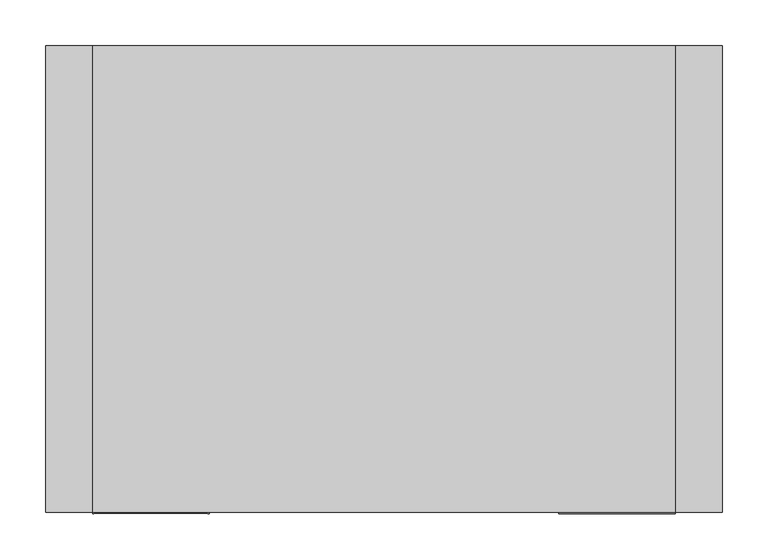
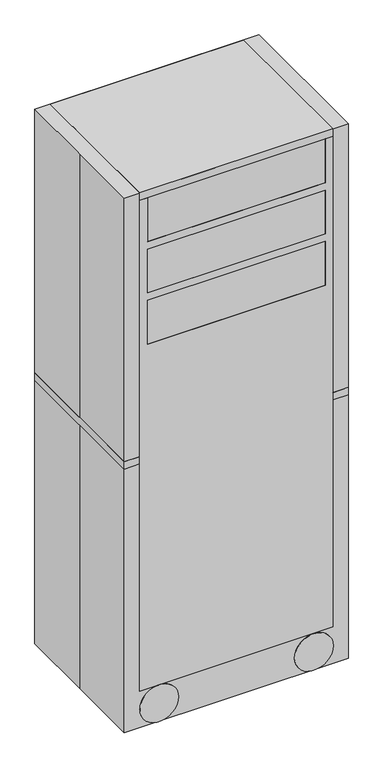
"""IFC4 building model written with IfcOpenShell, lengths in millimetres: proxy geometry."""

import ifcopenshell
import ifcopenshell.guid

model = None  # the IFC model being written
_history = None  # IfcOwnerHistory: only IFC2X3 demands one
_inside = {}  # id of a spatial element -> (the spatial element, [elements in it])
_under = {}  # id of a project, library or spatial element -> (it, [spatial elements below it])
_declared = {}  # id of a project -> (the project, [libraries it declares])
_typed = {}  # id of a type object -> (the type object, [elements of that type])
_made_of = {}  # id of a material, layer set ... -> (it, [elements and type objects made of it])


def new_model(schema):
    """Start an empty IFC model of exactly this schema.

    Asked for "IFC4X3", IfcOpenShell would pick the latest addendum, in which some entities
    have other attributes; the version numbers below select the first issue.
    IFC2X3 requires an IfcOwnerHistory on every rooted entity: one is made here for all.
    """
    global model, _history
    if schema == "IFC4X3":
        model = ifcopenshell.file(schema_version=(4, 3, 0, 0))
    else:
        model = ifcopenshell.file(schema=schema)
    _inside.clear()
    _under.clear()
    _declared.clear()
    _typed.clear()
    _made_of.clear()
    _history = None
    if model.schema == "IFC2X3":
        org = make("IfcOrganization", Name="unknown")
        user = make(
            "IfcPersonAndOrganization",
            ThePerson=make("IfcPerson", FamilyName="unknown"),
            TheOrganization=org,
        )
        app = make(
            "IfcApplication",
            ApplicationDeveloper=org,
            Version="unknown",
            ApplicationFullName="unknown",
            ApplicationIdentifier="unknown",
        )
        _history = make(
            "IfcOwnerHistory",
            OwningUser=user,
            OwningApplication=app,
            ChangeAction="ADDED",
            CreationDate=0,
        )
    return model


def make(cls, **values):
    """One entity of the class cls with the attributes given. An attribute that is None is left unset."""
    return model.create_entity(
        cls, **{name: value for name, value in values.items() if value is not None}
    )


def rooted(cls, **values):
    """An entity with a GlobalId (a new one), such as an element, a storey or a relation."""
    return make(cls, GlobalId=ifcopenshell.guid.new(), OwnerHistory=_history, **values)


def si_unit(unit_type, name, prefix=None):
    """IfcSIUnit, for example si_unit("LENGTHUNIT", "METRE", prefix="MILLI")."""
    return make("IfcSIUnit", UnitType=unit_type, Prefix=prefix, Name=name)


def assignment(units):
    """IfcUnitAssignment: the units of a project."""
    return None if units is None else make("IfcUnitAssignment", Units=units)


def point(xyz):
    """IfcCartesianPoint."""
    return None if xyz is None else make("IfcCartesianPoint", Coordinates=xyz)


def direction(xyz):
    """IfcDirection."""
    return None if xyz is None else make("IfcDirection", DirectionRatios=xyz)


def frame(location, z_axis=None, x_axis=None):
    """IfcAxis2Placement3D, a coordinate frame: its origin and axes. An axis left out is left unset."""
    return make(
        "IfcAxis2Placement3D",
        Location=point(location),
        Axis=direction(z_axis),
        RefDirection=direction(x_axis),
    )


def frame_2d(location, x_axis=None):
    """IfcAxis2Placement2D, a coordinate frame in the plane: its origin and x axis."""
    return make(
        "IfcAxis2Placement2D", Location=point(location), RefDirection=direction(x_axis)
    )


def origin():
    """The frame at (0, 0, 0) with its axes left unset."""
    return frame((0.0, 0.0, 0.0))


def origin_with_axes():
    """The frame at (0, 0, 0) with the z axis (0, 0, 1) and the x axis (1, 0, 0) written out."""
    return frame((0.0, 0.0, 0.0), z_axis=(0.0, 0.0, 1.0), x_axis=(1.0, 0.0, 0.0))


def place(relative_to, where):
    """IfcLocalPlacement: puts the frame where relative to a parent placement (None: the world)."""
    return make(
        "IfcLocalPlacement", PlacementRelTo=relative_to, RelativePlacement=where
    )


def context(
    kind, dimensions, precision=None, world=None, true_north=None, identifier=None
):
    """IfcGeometricRepresentationContext, for example the 3D "Model" context."""
    return make(
        "IfcGeometricRepresentationContext",
        ContextIdentifier=identifier,
        ContextType=kind,
        CoordinateSpaceDimension=dimensions,
        Precision=precision,
        WorldCoordinateSystem=world,
        TrueNorth=true_north,
    )


def project(units=None, contexts=None):
    """IfcProject with its units and contexts."""
    return rooted(
        "IfcProject",
        Name="project",
        RepresentationContexts=contexts,
        UnitsInContext=assignment(units),
    )


def spatial(cls, under=None, at=None, **own):
    """A site, building, storey or space (cls), placed at a placement, below another one or the project."""
    s = rooted(cls, ObjectPlacement=at, **own)
    if under is not None:
        _under.setdefault(under.id(), (under, []))[1].append(s)
    return s


def polyline(points):
    """IfcPolyline through the points."""
    return make("IfcPolyline", Points=[point(p) for p in points])


def circle_curve(where, radius):
    """IfcCircle in the frame where."""
    return make("IfcCircle", Position=where, Radius=radius)


def trimmed(basis, trim1, trim2, sense, master):
    """IfcTrimmedCurve: the piece of a basis curve between two trims."""
    return make(
        "IfcTrimmedCurve",
        BasisCurve=basis,
        Trim1=trim1,
        Trim2=trim2,
        SenseAgreement=sense,
        MasterRepresentation=master,
    )


def segment(curve, same_sense, transition):
    """IfcCompositeCurveSegment."""
    return make(
        "IfcCompositeCurveSegment",
        Transition=transition,
        SameSense=same_sense,
        ParentCurve=curve,
    )


def composite_curve(segments, self_intersect=None):
    """IfcCompositeCurve: segments joined end to end."""
    return make("IfcCompositeCurve", Segments=segments, SelfIntersect=self_intersect)


def outline(outer, holes=None, kind="AREA"):
    """IfcArbitraryClosedProfileDef: a profile drawn as a closed curve; with holes, ...WithVoids."""
    if holes is None:
        return make("IfcArbitraryClosedProfileDef", ProfileType=kind, OuterCurve=outer)
    return make(
        "IfcArbitraryProfileDefWithVoids",
        ProfileType=kind,
        OuterCurve=outer,
        InnerCurves=holes,
    )


def extrude(swept, where, along, depth):
    """IfcExtrudedAreaSolid: the profile swept, set in the frame where, extruded along a direction by depth."""
    return make(
        "IfcExtrudedAreaSolid",
        SweptArea=swept,
        Position=where,
        ExtrudedDirection=direction(along),
        Depth=depth,
    )


def shape(context_of_items, identifier, shape_type, items):
    """IfcShapeRepresentation: the items that make up one representation, for example the "Body"."""
    return make(
        "IfcShapeRepresentation",
        ContextOfItems=context_of_items,
        RepresentationIdentifier=identifier,
        RepresentationType=shape_type,
        Items=items,
    )


def source(mapping_origin, context_of_items, identifier, shape_type, items):
    """IfcRepresentationMap: a shape defined once, which mapped items show again and again."""
    return make(
        "IfcRepresentationMap",
        MappingOrigin=mapping_origin,
        MappedRepresentation=shape(context_of_items, identifier, shape_type, items),
    )


def transform(
    local_origin,
    x_axis=None,
    y_axis=None,
    z_axis=None,
    scale=None,
    scale2=None,
    scale3=None,
    uniform=True,
):
    """IfcCartesianTransformationOperator3D, or its non-uniform kind. x_axis, y_axis, z_axis: its Axis1, 2, 3."""
    if uniform:
        return make(
            "IfcCartesianTransformationOperator3D",
            Axis1=direction(x_axis),
            Axis2=direction(y_axis),
            LocalOrigin=point(local_origin),
            Scale=scale,
            Axis3=direction(z_axis),
        )
    return make(
        "IfcCartesianTransformationOperator3DnonUniform",
        Axis1=direction(x_axis),
        Axis2=direction(y_axis),
        LocalOrigin=point(local_origin),
        Scale=scale,
        Axis3=direction(z_axis),
        Scale2=scale2,
        Scale3=scale3,
    )


def mapped(mapping_source, mapping_target):
    """IfcMappedItem: shows the shape of a source again, moved by a transform."""
    return make(
        "IfcMappedItem", MappingSource=mapping_source, MappingTarget=mapping_target
    )


def made_of(thing, what):
    """Note that an element or type object is made of a material, layer set ...; save() writes the relation."""
    if what is not None:
        _made_of.setdefault(what.id(), (what, []))[1].append(thing)
    return thing


def element(
    cls,
    number,
    at=None,
    inside=None,
    cuts=None,
    type_object=None,
    material=None,
    context=None,
    identifier="Body",
    shape_type=None,
    held_by="IfcProductDefinitionShape",
    body=None,
    shapes=None,
    **own,
):
    """One element of the class cls, such as IfcWall. Its Tag is "e" and its number.

    at: its placement. inside: the storey or other place that contains it. cuts: it is an
    opening in that element (IfcRelVoidsElement). A single representation is given by context,
    identifier, shape_type and body (its items); several are given by shapes. held_by: the class
    of the entity that holds the representations. save() writes the other relations.
    """
    e = rooted(cls, Tag="e%d" % number, ObjectPlacement=at, **own)
    if body is not None:
        shapes = [shape(context, identifier, shape_type, body)]
    if shapes is not None:
        e.Representation = make(held_by, Representations=shapes)
    if inside is not None:
        _inside.setdefault(inside.id(), (inside, []))[1].append(e)
    if cuts is not None:
        rooted(
            "IfcRelVoidsElement", RelatingBuildingElement=cuts, RelatedOpeningElement=e
        )
    if type_object is not None:
        _typed.setdefault(type_object.id(), (type_object, []))[1].append(e)
    return made_of(e, material)


def aggregate(whole, parts):
    """IfcRelAggregates: a whole, such as a stair, and the parts it consists of."""
    return rooted("IfcRelAggregates", RelatingObject=whole, RelatedObjects=parts)


def save(model, path):
    """Write the relations noted so far, then the file.

    IfcRelAggregates (storeys below a building ...), IfcRelContainedInSpatialStructure (elements
    in a storey), IfcRelDefinesByType, IfcRelAssociatesMaterial and IfcRelDeclares: one each for
    every whole, place, type object, material and project.
    """
    for whole, parts in _under.values():
        aggregate(whole, parts)
    for where, things in _inside.values():
        rooted(
            "IfcRelContainedInSpatialStructure",
            RelatedElements=things,
            RelatingStructure=where,
        )
    for kind, things in _typed.values():
        rooted("IfcRelDefinesByType", RelatedObjects=things, RelatingType=kind)
    for what, things in _made_of.values():
        rooted("IfcRelAssociatesMaterial", RelatedObjects=things, RelatingMaterial=what)
    for by, libraries in _declared.values():
        rooted("IfcRelDeclares", RelatingContext=by, RelatedDefinitions=libraries)
    model.write(path)


def plane_surface(at):
    """IfcPlane: the flat surface through the origin of the frame at, square to its z axis."""
    return make("IfcPlane", Position=at)


def cylinder_surface(at, radius):
    """IfcCylindricalSurface: all points at the distance radius from the z axis of the frame at."""
    return make("IfcCylindricalSurface", Position=at, Radius=radius)


def advanced_brep(points, edges, surfaces, faces):
    """IfcAdvancedBrep: a solid bounded by faces that lie on surfaces and meet in shared edges.

    An edge is (start, end): straight between two places in points (the first is 0);
    or (start, end, curve); or (start, end, curve, False) where it runs against its curve.
    A face is (place in surfaces, loops), or (place, loops, False) where it looks against
    its surface's normal. A loop lists edges by number (the first is 1), with a minus sign
    where the edge is run from its end to its start. The first loop is the outer one.
    """
    corners = [point(p) for p in points]
    vertices = [make("IfcVertexPoint", VertexGeometry=c) for c in corners]
    made = []
    for start, end, *more in edges:
        made.append(
            make(
                "IfcEdgeCurve",
                EdgeStart=vertices[start],
                EdgeEnd=vertices[end],
                EdgeGeometry=more[0] if more else make("IfcPolyline", Points=[corners[start], corners[end]]),
                SameSense=more[1] if len(more) > 1 else True,
            )
        )
    hull = []
    for where, loops, *sense in faces:
        bounds = []
        for j, loop in enumerate(loops):
            ring = [make("IfcOrientedEdge", EdgeElement=made[abs(k) - 1], Orientation=k > 0) for k in loop]
            bounds.append(
                make(
                    "IfcFaceOuterBound" if j == 0 else "IfcFaceBound",
                    Bound=make("IfcEdgeLoop", EdgeList=ring),
                    Orientation=True,
                )
            )
        hull.append(make("IfcAdvancedFace", Bounds=bounds, FaceSurface=surfaces[where], SameSense=sense[0] if sense else True))
    return make("IfcAdvancedBrep", Outer=make("IfcClosedShell", CfsFaces=hull))


def specialty_equipment_c401bbb8(model_context):
    return source(origin(), model_context, "Body", "SolidModel", [
        extrude(outline(polyline([(317.5, -254.0), (-317.5, -254.0), (-317.5, 254.0), (317.5, 254.0), (317.5, -254.0)])), frame((0.0, 0.0, 1828.8), z_axis=(0.0, 0.0, 1.0), x_axis=(1.0, 0.0, 0.0)), (0.0, 0.0, 1.0), 25.4),
        extrude(outline(composite_curve([segment(trimmed(circle_curve(frame_2d((-275.1666667, -206.375)), 21.1666667), [point((-275.1666667, -227.5416667))], [point((-275.1666667, -185.2083333))], False, "CARTESIAN"), True, "CONTINUOUS"), segment(trimmed(circle_curve(frame_2d((-275.1666667, -206.375)), 21.1666667), [point((-275.1666667, -185.2083333))], [point((-275.1666667, -227.5416667))], False, "CARTESIAN"), True, "CONTINUOUS")], self_intersect=False)), frame((0.0, 0.0, 53.8442082), z_axis=(0.0, 0.0, 1.0), x_axis=(1.0, 0.0, 0.0)), (0.0, 0.0, 1.0), 73.1557918),
        extrude(outline(composite_curve([segment(trimmed(circle_curve(frame_2d((63.5, -254.0)), 42.3333333), [point((63.5, -211.6666667))], [point((63.5, -296.3333333))], False, "CARTESIAN"), True, "CONTINUOUS"), segment(trimmed(circle_curve(frame_2d((63.5, -254.0)), 42.3333333), [point((63.5, -296.3333333))], [point((63.5, -211.6666667))], False, "CARTESIAN"), True, "CONTINUOUS")], self_intersect=False)), frame((0.0, -231.2458333, 0.0), z_axis=(0.0, 1.0, 0.0), x_axis=(0.0, 0.0, 1.0)), (0.0, 0.0, 1.0), 47.625),
        extrude(outline(composite_curve([segment(trimmed(circle_curve(frame_2d((63.5, -254.0)), 63.5), [point((63.5, -190.5))], [point((63.5, -317.5))], False, "CARTESIAN"), True, "CONTINUOUS"), segment(trimmed(circle_curve(frame_2d((63.5, -254.0)), 63.5), [point((63.5, -317.5))], [point((63.5, -190.5))], False, "CARTESIAN"), True, "CONTINUOUS")], self_intersect=False)), frame((0.0, -255.0583333, 0.0), z_axis=(0.0, 1.0, 0.0), x_axis=(0.0, 0.0, 1.0)), (0.0, 0.0, 1.0), 23.8125),
        extrude(outline(composite_curve([segment(trimmed(circle_curve(frame_2d((63.5, -254.0)), 63.5), [point((63.5, -190.5))], [point((63.5, -317.5))], False, "CARTESIAN"), True, "CONTINUOUS"), segment(trimmed(circle_curve(frame_2d((63.5, -254.0)), 63.5), [point((63.5, -317.5))], [point((63.5, -190.5))], False, "CARTESIAN"), True, "CONTINUOUS")], self_intersect=False)), frame((0.0, -183.6208333, 0.0), z_axis=(0.0, 1.0, 0.0), x_axis=(0.0, 0.0, 1.0)), (0.0, 0.0, 1.0), 23.8125),
        extrude(outline(composite_curve([segment(trimmed(circle_curve(frame_2d((275.1666667, -206.375)), 21.1666667), [point((275.1666667, -227.5416667))], [point((275.1666667, -185.2083333))], False, "CARTESIAN"), True, "CONTINUOUS"), segment(trimmed(circle_curve(frame_2d((275.1666667, -206.375)), 21.1666667), [point((275.1666667, -185.2083333))], [point((275.1666667, -227.5416667))], False, "CARTESIAN"), True, "CONTINUOUS")], self_intersect=False)), frame((0.0, 0.0, 53.8442082), z_axis=(0.0, 0.0, 1.0), x_axis=(1.0, 0.0, 0.0)), (0.0, 0.0, 1.0), 73.1557918),
        extrude(outline(composite_curve([segment(trimmed(circle_curve(frame_2d((63.5, 254.0)), 42.3333333), [point((63.5, 211.6666667))], [point((63.5, 296.3333333))], False, "CARTESIAN"), True, "CONTINUOUS"), segment(trimmed(circle_curve(frame_2d((63.5, 254.0)), 42.3333333), [point((63.5, 296.3333333))], [point((63.5, 211.6666667))], False, "CARTESIAN"), True, "CONTINUOUS")], self_intersect=False)), frame((0.0, -231.775, 0.0), z_axis=(0.0, 1.0, 0.0), x_axis=(0.0, 0.0, 1.0)), (0.0, 0.0, 1.0), 47.625),
        extrude(outline(composite_curve([segment(trimmed(circle_curve(frame_2d((63.5, 254.0)), 63.5), [point((63.5, 190.5))], [point((63.5, 317.5))], False, "CARTESIAN"), True, "CONTINUOUS"), segment(trimmed(circle_curve(frame_2d((63.5, 254.0)), 63.5), [point((63.5, 317.5))], [point((63.5, 190.5))], False, "CARTESIAN"), True, "CONTINUOUS")], self_intersect=False)), frame((0.0, -255.5875, 0.0), z_axis=(0.0, 1.0, 0.0), x_axis=(0.0, 0.0, 1.0)), (0.0, 0.0, 1.0), 23.8125),
        extrude(outline(composite_curve([segment(trimmed(circle_curve(frame_2d((63.5, 254.0)), 63.5), [point((63.5, 190.5))], [point((63.5, 317.5))], False, "CARTESIAN"), True, "CONTINUOUS"), segment(trimmed(circle_curve(frame_2d((63.5, 254.0)), 63.5), [point((63.5, 317.5))], [point((63.5, 190.5))], False, "CARTESIAN"), True, "CONTINUOUS")], self_intersect=False)), frame((0.0, -184.15, 0.0), z_axis=(0.0, 1.0, 0.0), x_axis=(0.0, 0.0, 1.0)), (0.0, 0.0, 1.0), 23.8125),
        extrude(outline(composite_curve([segment(trimmed(circle_curve(frame_2d((-275.1666667, 206.375)), 21.1666667), [point((-275.1666667, 227.5416667))], [point((-275.1666667, 185.2083333))], False, "CARTESIAN"), True, "CONTINUOUS"), segment(trimmed(circle_curve(frame_2d((-275.1666667, 206.375)), 21.1666667), [point((-275.1666667, 185.2083333))], [point((-275.1666667, 227.5416667))], False, "CARTESIAN"), True, "CONTINUOUS")], self_intersect=False)), frame((0.0, 0.0, 53.8442082), z_axis=(0.0, 0.0, 1.0), x_axis=(1.0, 0.0, 0.0)), (0.0, 0.0, 1.0), 73.1557918),
        extrude(outline(composite_curve([segment(trimmed(circle_curve(frame_2d((63.5, -254.0)), 42.3333333), [point((63.5, -211.6666667))], [point((63.5, -296.3333333))], False, "CARTESIAN"), True, "CONTINUOUS"), segment(trimmed(circle_curve(frame_2d((63.5, -254.0)), 42.3333333), [point((63.5, -296.3333333))], [point((63.5, -211.6666667))], False, "CARTESIAN"), True, "CONTINUOUS")], self_intersect=False)), frame((0.0, 182.5625, 0.0), z_axis=(0.0, 1.0, 0.0), x_axis=(0.0, 0.0, 1.0)), (0.0, 0.0, 1.0), 47.625),
        extrude(outline(composite_curve([segment(trimmed(circle_curve(frame_2d((63.5, -254.0)), 63.5), [point((63.5, -190.5))], [point((63.5, -317.5))], False, "CARTESIAN"), True, "CONTINUOUS"), segment(trimmed(circle_curve(frame_2d((63.5, -254.0)), 63.5), [point((63.5, -317.5))], [point((63.5, -190.5))], False, "CARTESIAN"), True, "CONTINUOUS")], self_intersect=False)), frame((0.0, 230.1875, 0.0), z_axis=(0.0, 1.0, 0.0), x_axis=(0.0, 0.0, 1.0)), (0.0, 0.0, 1.0), 23.8125),
        extrude(outline(composite_curve([segment(trimmed(circle_curve(frame_2d((63.5, -254.0)), 63.5), [point((63.5, -190.5))], [point((63.5, -317.5))], False, "CARTESIAN"), True, "CONTINUOUS"), segment(trimmed(circle_curve(frame_2d((63.5, -254.0)), 63.5), [point((63.5, -317.5))], [point((63.5, -190.5))], False, "CARTESIAN"), True, "CONTINUOUS")], self_intersect=False)), frame((0.0, 158.75, 0.0), z_axis=(0.0, 1.0, 0.0), x_axis=(0.0, 0.0, 1.0)), (0.0, 0.0, 1.0), 23.8125),
        advanced_brep(
        [(275.1666667, 227.5416667, 127.0), (275.1666667, 185.2083333, 127.0), (275.1666667, 227.5416667, 53.8442082), (295.2174332, 213.1569275, 53.8442082), (275.1666667, 185.2083333, 53.8442082), (254.0596152, 207.9625, 53.8442082), (275.1666667, 227.5416667, 100.1617421)],
        [
            (0, 1, circle_curve(frame((275.1666667, 206.375, 127.0), z_axis=(0.0, 0.0, 1.0), x_axis=(0.0, -1.0, 0.0)), 21.1666667)),
            (1, 0, circle_curve(frame((275.1666667, 206.375, 127.0), z_axis=(0.0, 0.0, 1.0), x_axis=(0.0, -1.0, 0.0)), 21.1666667)),
            (2, 3, circle_curve(frame((275.1666667, 206.375, 53.8442082), z_axis=(0.0, 0.0, -1.0), x_axis=(0.0, -1.0, 0.0)), 21.1666667)),
            (3, 4, circle_curve(frame((275.1666667, 206.375, 53.8442082), z_axis=(0.0, 0.0, -1.0), x_axis=(0.0, -1.0, 0.0)), 21.1666667)),
            (4, 5, circle_curve(frame((275.1666667, 206.375, 53.8442082), z_axis=(0.0, 0.0, -1.0), x_axis=(0.0, -1.0, 0.0)), 21.1666667)),
            (5, 2, circle_curve(frame((275.1666667, 206.375, 53.8442082), z_axis=(0.0, 0.0, -1.0), x_axis=(0.0, -1.0, 0.0)), 21.1666667)),
            (0, 6),
            (6, 2),
            (4, 1),
        ],
        [
            plane_surface(frame((275.1666667, 185.2083333, 127.0), z_axis=(0.0, 0.0, 1.0), x_axis=(1.0, 0.0, 0.0))),
            plane_surface(frame((275.1666667, 185.2083333, 53.8442082), z_axis=(0.0, 0.0, -1.0), x_axis=(-1.0, 0.0, 0.0))),
            cylinder_surface(frame((275.1666667, 206.375, 53.8442082), z_axis=(0.0, 0.0, 1.0), x_axis=(0.0, -1.0, 0.0)), 21.1666667),
        ],
        [
            (0, [[1, 2]]),
            (1, [[3, 4, 5, 6]]),
            (2, [[-1, 7, 8, -6, -5, 9]]),
            (2, [[-2, -9, -4, -3, -8, -7]]),
        ],
    ),
        extrude(outline(composite_curve([segment(trimmed(circle_curve(frame_2d((63.5, 254.0)), 63.5), [point((63.5, 190.5))], [point((63.5, 317.5))], False, "CARTESIAN"), True, "CONTINUOUS"), segment(trimmed(circle_curve(frame_2d((63.5, 254.0)), 63.5), [point((63.5, 317.5))], [point((63.5, 190.5))], False, "CARTESIAN"), True, "CONTINUOUS")], self_intersect=False)), frame((0.0, 230.1875, 0.0), z_axis=(0.0, 1.0, 0.0), x_axis=(0.0, 0.0, 1.0)), (0.0, 0.0, 1.0), 23.8125),
        extrude(outline(composite_curve([segment(trimmed(circle_curve(frame_2d((63.5, 254.0)), 63.5), [point((63.5, 190.5))], [point((63.5, 317.5))], False, "CARTESIAN"), True, "CONTINUOUS"), segment(trimmed(circle_curve(frame_2d((63.5, 254.0)), 63.5), [point((63.5, 317.5))], [point((63.5, 190.5))], False, "CARTESIAN"), True, "CONTINUOUS")], self_intersect=False)), frame((0.0, 158.75, 0.0), z_axis=(0.0, 1.0, 0.0), x_axis=(0.0, 0.0, 1.0)), (0.0, 0.0, 1.0), 23.8125),
        extrude(outline(polyline([(127.0, -317.5), (127.0, 317.5), (1828.8, 317.5), (1828.8, 292.1), (1676.4, 292.1), (1676.4, -292.1), (1828.8, -292.1), (1828.8, -317.5), (127.0, -317.5)]), holes=[polyline([(1651.0, -292.1), (1651.0, 292.1), (1498.6, 292.1), (1498.6, -292.1), (1651.0, -292.1)]), polyline([(1473.2, -292.1), (1473.2, 292.1), (1320.8, 292.1), (1320.8, -292.1), (1473.2, -292.1)])]), frame((0.0, -254.0, 0.0), z_axis=(0.0, 1.0, 0.0), x_axis=(0.0, 0.0, 1.0)), (0.0, 0.0, 1.0), 508.0),
        extrude(outline(polyline([(368.3, 254.0), (368.3, -254.0), (317.5, -254.0), (317.5, -228.6), (342.9, -228.6), (342.9, 228.6), (317.5, 228.6), (317.5, 254.0), (368.3, 254.0)])), frame((0.0, 0.0, 914.4), z_axis=(0.0, 0.0, 1.0), x_axis=(1.0, 0.0, 0.0)), (0.0, 0.0, 1.0), 25.4),
        extrude(outline(polyline([(-368.3, 254.0), (-317.5, 254.0), (-317.5, 228.6), (-342.9, 228.6), (-342.9, -228.6), (-317.5, -228.6), (-317.5, -254.0), (-368.3, -254.0), (-368.3, 254.0)])), frame((0.0, 0.0, 914.4), z_axis=(0.0, 0.0, 1.0), x_axis=(1.0, 0.0, 0.0)), (0.0, 0.0, 1.0), 25.4),
        extrude(outline(polyline([(-368.3, 254.0), (368.3, 254.0), (368.3, -254.0), (-368.3, -254.0), (-368.3, 0.0), (-368.3, 254.0)])), origin_with_axes(), (0.0, 0.0, 1.0), 1854.2),
    ])


if __name__ == "__main__":
    model = new_model("IFC4")
    model_context = context("Model", 3, world=origin())
    ifc_project = project(units=[si_unit("LENGTHUNIT", "METRE", prefix="MILLI")], contexts=[model_context])
    site = spatial("IfcSite", under=ifc_project)
    building = spatial("IfcBuilding", under=site)
    placement = place(None, origin())
    specialty_equipment_shape = specialty_equipment_c401bbb8(model_context)
    element("IfcBuildingElementProxy", 1, Name="Specialty Equipment", at=placement, inside=building, context=model_context, shape_type="MappedRepresentation", body=[
        mapped(specialty_equipment_shape, transform((0.0, 0.0, 0.0), x_axis=(1.0, 0.0, 0.0), y_axis=(0.0, 1.0, 0.0), z_axis=(0.0, 0.0, 1.0))),
    ])
    save(model, "model.ifc")
